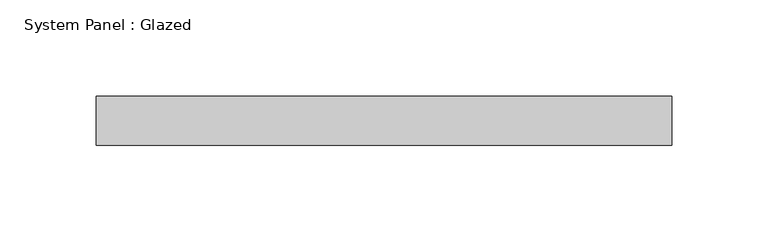
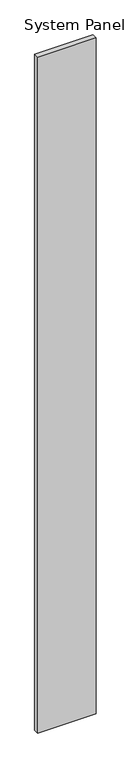
"""IFC4 building model written with IfcOpenShell, lengths in millimetres: plate geometry, System Panel : Glazed."""

import ifcopenshell
import ifcopenshell.guid

model = None  # the IFC model being written
_history = None  # IfcOwnerHistory: only IFC2X3 demands one
_inside = {}  # id of a spatial element -> (the spatial element, [elements in it])
_under = {}  # id of a project, library or spatial element -> (it, [spatial elements below it])
_declared = {}  # id of a project -> (the project, [libraries it declares])
_typed = {}  # id of a type object -> (the type object, [elements of that type])
_made_of = {}  # id of a material, layer set ... -> (it, [elements and type objects made of it])


def new_model(schema):
    """Start an empty IFC model of exactly this schema.

    Asked for "IFC4X3", IfcOpenShell would pick the latest addendum, in which some entities
    have other attributes; the version numbers below select the first issue.
    IFC2X3 requires an IfcOwnerHistory on every rooted entity: one is made here for all.
    """
    global model, _history
    if schema == "IFC4X3":
        model = ifcopenshell.file(schema_version=(4, 3, 0, 0))
    else:
        model = ifcopenshell.file(schema=schema)
    _inside.clear()
    _under.clear()
    _declared.clear()
    _typed.clear()
    _made_of.clear()
    _history = None
    if model.schema == "IFC2X3":
        org = make("IfcOrganization", Name="unknown")
        user = make(
            "IfcPersonAndOrganization",
            ThePerson=make("IfcPerson", FamilyName="unknown"),
            TheOrganization=org,
        )
        app = make(
            "IfcApplication",
            ApplicationDeveloper=org,
            Version="unknown",
            ApplicationFullName="unknown",
            ApplicationIdentifier="unknown",
        )
        _history = make(
            "IfcOwnerHistory",
            OwningUser=user,
            OwningApplication=app,
            ChangeAction="ADDED",
            CreationDate=0,
        )
    return model


def make(cls, **values):
    """One entity of the class cls with the attributes given. An attribute that is None is left unset."""
    return model.create_entity(
        cls, **{name: value for name, value in values.items() if value is not None}
    )


def rooted(cls, **values):
    """An entity with a GlobalId (a new one), such as an element, a storey or a relation."""
    return make(cls, GlobalId=ifcopenshell.guid.new(), OwnerHistory=_history, **values)


def si_unit(unit_type, name, prefix=None):
    """IfcSIUnit, for example si_unit("LENGTHUNIT", "METRE", prefix="MILLI")."""
    return make("IfcSIUnit", UnitType=unit_type, Prefix=prefix, Name=name)


def assignment(units):
    """IfcUnitAssignment: the units of a project."""
    return None if units is None else make("IfcUnitAssignment", Units=units)


def point(xyz):
    """IfcCartesianPoint."""
    return None if xyz is None else make("IfcCartesianPoint", Coordinates=xyz)


def direction(xyz):
    """IfcDirection."""
    return None if xyz is None else make("IfcDirection", DirectionRatios=xyz)


def frame(location, z_axis=None, x_axis=None):
    """IfcAxis2Placement3D, a coordinate frame: its origin and axes. An axis left out is left unset."""
    return make(
        "IfcAxis2Placement3D",
        Location=point(location),
        Axis=direction(z_axis),
        RefDirection=direction(x_axis),
    )


def origin():
    """The frame at (0, 0, 0) with its axes left unset."""
    return frame((0.0, 0.0, 0.0))


def origin_with_axes():
    """The frame at (0, 0, 0) with the z axis (0, 0, 1) and the x axis (1, 0, 0) written out."""
    return frame((0.0, 0.0, 0.0), z_axis=(0.0, 0.0, 1.0), x_axis=(1.0, 0.0, 0.0))


def place(relative_to, where):
    """IfcLocalPlacement: puts the frame where relative to a parent placement (None: the world)."""
    return make(
        "IfcLocalPlacement", PlacementRelTo=relative_to, RelativePlacement=where
    )


def context(
    kind, dimensions, precision=None, world=None, true_north=None, identifier=None
):
    """IfcGeometricRepresentationContext, for example the 3D "Model" context."""
    return make(
        "IfcGeometricRepresentationContext",
        ContextIdentifier=identifier,
        ContextType=kind,
        CoordinateSpaceDimension=dimensions,
        Precision=precision,
        WorldCoordinateSystem=world,
        TrueNorth=true_north,
    )


def project(units=None, contexts=None):
    """IfcProject with its units and contexts."""
    return rooted(
        "IfcProject",
        Name="project",
        RepresentationContexts=contexts,
        UnitsInContext=assignment(units),
    )


def spatial(cls, under=None, at=None, **own):
    """A site, building, storey or space (cls), placed at a placement, below another one or the project."""
    s = rooted(cls, ObjectPlacement=at, **own)
    if under is not None:
        _under.setdefault(under.id(), (under, []))[1].append(s)
    return s


def polyline(points):
    """IfcPolyline through the points."""
    return make("IfcPolyline", Points=[point(p) for p in points])


def outline(outer, holes=None, kind="AREA"):
    """IfcArbitraryClosedProfileDef: a profile drawn as a closed curve; with holes, ...WithVoids."""
    if holes is None:
        return make("IfcArbitraryClosedProfileDef", ProfileType=kind, OuterCurve=outer)
    return make(
        "IfcArbitraryProfileDefWithVoids",
        ProfileType=kind,
        OuterCurve=outer,
        InnerCurves=holes,
    )


def extrude(swept, where, along, depth):
    """IfcExtrudedAreaSolid: the profile swept, set in the frame where, extruded along a direction by depth."""
    return make(
        "IfcExtrudedAreaSolid",
        SweptArea=swept,
        Position=where,
        ExtrudedDirection=direction(along),
        Depth=depth,
    )


def shape(context_of_items, identifier, shape_type, items):
    """IfcShapeRepresentation: the items that make up one representation, for example the "Body"."""
    return make(
        "IfcShapeRepresentation",
        ContextOfItems=context_of_items,
        RepresentationIdentifier=identifier,
        RepresentationType=shape_type,
        Items=items,
    )


def source(mapping_origin, context_of_items, identifier, shape_type, items):
    """IfcRepresentationMap: a shape defined once, which mapped items show again and again."""
    return make(
        "IfcRepresentationMap",
        MappingOrigin=mapping_origin,
        MappedRepresentation=shape(context_of_items, identifier, shape_type, items),
    )


def transform(
    local_origin,
    x_axis=None,
    y_axis=None,
    z_axis=None,
    scale=None,
    scale2=None,
    scale3=None,
    uniform=True,
):
    """IfcCartesianTransformationOperator3D, or its non-uniform kind. x_axis, y_axis, z_axis: its Axis1, 2, 3."""
    if uniform:
        return make(
            "IfcCartesianTransformationOperator3D",
            Axis1=direction(x_axis),
            Axis2=direction(y_axis),
            LocalOrigin=point(local_origin),
            Scale=scale,
            Axis3=direction(z_axis),
        )
    return make(
        "IfcCartesianTransformationOperator3DnonUniform",
        Axis1=direction(x_axis),
        Axis2=direction(y_axis),
        LocalOrigin=point(local_origin),
        Scale=scale,
        Axis3=direction(z_axis),
        Scale2=scale2,
        Scale3=scale3,
    )


def mapped(mapping_source, mapping_target):
    """IfcMappedItem: shows the shape of a source again, moved by a transform."""
    return make(
        "IfcMappedItem", MappingSource=mapping_source, MappingTarget=mapping_target
    )


def made_of(thing, what):
    """Note that an element or type object is made of a material, layer set ...; save() writes the relation."""
    if what is not None:
        _made_of.setdefault(what.id(), (what, []))[1].append(thing)
    return thing


def element(
    cls,
    number,
    at=None,
    inside=None,
    cuts=None,
    type_object=None,
    material=None,
    context=None,
    identifier="Body",
    shape_type=None,
    held_by="IfcProductDefinitionShape",
    body=None,
    shapes=None,
    **own,
):
    """One element of the class cls, such as IfcWall. Its Tag is "e" and its number.

    at: its placement. inside: the storey or other place that contains it. cuts: it is an
    opening in that element (IfcRelVoidsElement). A single representation is given by context,
    identifier, shape_type and body (its items); several are given by shapes. held_by: the class
    of the entity that holds the representations. save() writes the other relations.
    """
    e = rooted(cls, Tag="e%d" % number, ObjectPlacement=at, **own)
    if body is not None:
        shapes = [shape(context, identifier, shape_type, body)]
    if shapes is not None:
        e.Representation = make(held_by, Representations=shapes)
    if inside is not None:
        _inside.setdefault(inside.id(), (inside, []))[1].append(e)
    if cuts is not None:
        rooted(
            "IfcRelVoidsElement", RelatingBuildingElement=cuts, RelatedOpeningElement=e
        )
    if type_object is not None:
        _typed.setdefault(type_object.id(), (type_object, []))[1].append(e)
    return made_of(e, material)


def aggregate(whole, parts):
    """IfcRelAggregates: a whole, such as a stair, and the parts it consists of."""
    return rooted("IfcRelAggregates", RelatingObject=whole, RelatedObjects=parts)


def save(model, path):
    """Write the relations noted so far, then the file.

    IfcRelAggregates (storeys below a building ...), IfcRelContainedInSpatialStructure (elements
    in a storey), IfcRelDefinesByType, IfcRelAssociatesMaterial and IfcRelDeclares: one each for
    every whole, place, type object, material and project.
    """
    for whole, parts in _under.values():
        aggregate(whole, parts)
    for where, things in _inside.values():
        rooted(
            "IfcRelContainedInSpatialStructure",
            RelatedElements=things,
            RelatingStructure=where,
        )
    for kind, things in _typed.values():
        rooted("IfcRelDefinesByType", RelatedObjects=things, RelatingType=kind)
    for what, things in _made_of.values():
        rooted("IfcRelAssociatesMaterial", RelatedObjects=things, RelatingMaterial=what)
    for by, libraries in _declared.values():
        rooted("IfcRelDeclares", RelatingContext=by, RelatedDefinitions=libraries)
    model.write(path)


def system_panel_glazed_a49e105c(model_context):
    return source(origin(), model_context, "Body", "SweptSolid", [
        extrude(outline(polyline([(149.5342175, 19.05), (-149.5342175, 19.05), (-149.5342175, 44.45), (149.5342175, 44.45), (149.5342175, 19.05)])), origin_with_axes(), (0.0, 0.0, 1.0), 3657.6),
    ])


if __name__ == "__main__":
    model = new_model("IFC4")
    model_context = context("Model", 3, world=origin())
    ifc_project = project(units=[si_unit("LENGTHUNIT", "METRE", prefix="MILLI")], contexts=[model_context])
    site = spatial("IfcSite", under=ifc_project)
    building = spatial("IfcBuilding", under=site)
    placement = place(None, origin())
    system_panel_glazed_shape = system_panel_glazed_a49e105c(model_context)
    element("IfcPlate", 1, ObjectType="System Panel : Glazed", at=placement, inside=building, context=model_context, shape_type="MappedRepresentation", body=[
        mapped(system_panel_glazed_shape, transform((0.0, 0.0, 0.0), x_axis=(1.0, 0.0, 0.0), y_axis=(0.0, 1.0, 0.0), z_axis=(0.0, 0.0, 1.0))),
    ])
    save(model, "model.ifc")
